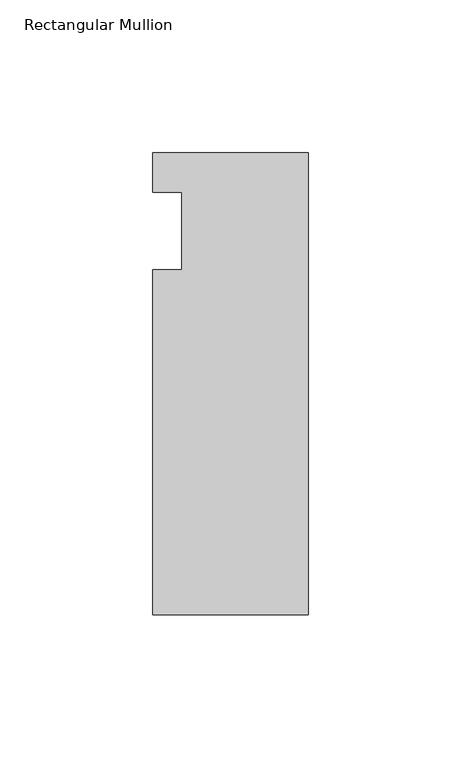
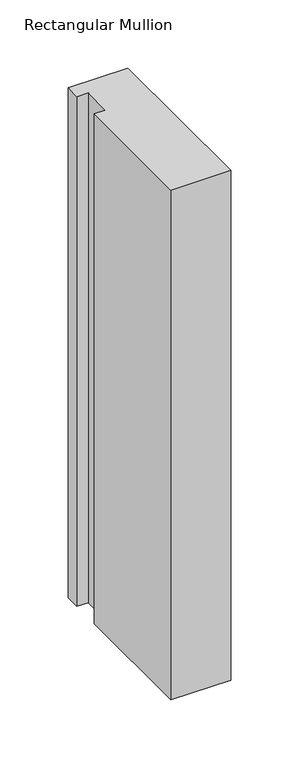
"""IFC4 building model written with IfcOpenShell, lengths in millimetres: member geometry, Rectangular Mullion."""

from ifc_helpers import new_model, si_unit, frame, origin, place, context, project, spatial, polyline, outline, extrude, source, transform, mapped, element, save


def rectangular_mullion_42b2a1e0(model_context):
    return source(origin(), model_context, "Body", "SweptSolid", [
        extrude(outline(polyline([(-25.4, 25.5984375), (25.4, 25.5984375), (25.4, -125.6109375), (-25.4, -125.6109375), (-25.4, -12.7), (-15.875, -12.7), (-15.875, 12.7), (-25.4, 12.7), (-25.4, 25.5984375)])), frame((0.0, 0.0, -457.2), z_axis=(0.0, 0.0, 1.0), x_axis=(1.0, 0.0, 0.0)), (0.0, 0.0, 1.0), 457.2),
    ])


if __name__ == "__main__":
    model = new_model("IFC4")
    model_context = context("Model", 3, world=origin())
    ifc_project = project(units=[si_unit("LENGTHUNIT", "METRE", prefix="MILLI")], contexts=[model_context])
    site = spatial("IfcSite", under=ifc_project)
    building = spatial("IfcBuilding", under=site)
    placement = place(None, origin())
    rectangular_mullion_shape = rectangular_mullion_42b2a1e0(model_context)
    element("IfcMember", 1, ObjectType="Rectangular Mullion", at=placement, inside=building, context=model_context, shape_type="MappedRepresentation", body=[
        mapped(rectangular_mullion_shape, transform((0.0, 0.0, 0.0), x_axis=(1.0, 0.0, 0.0), y_axis=(0.0, 1.0, 0.0), z_axis=(0.0, 0.0, 1.0))),
    ])
    save(model, "model.ifc")
